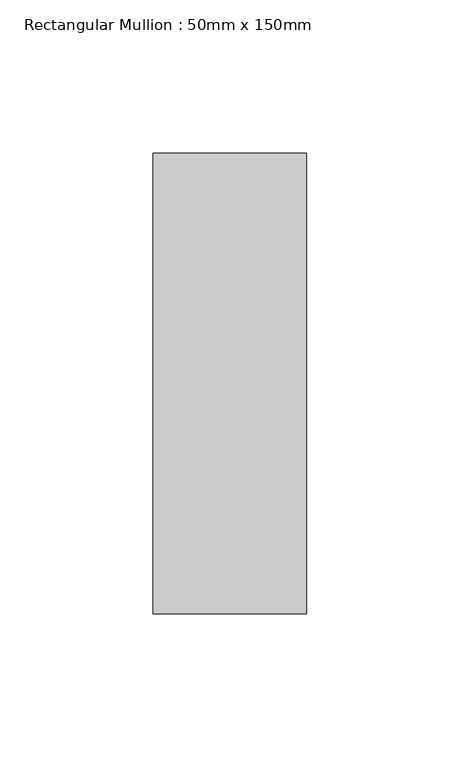
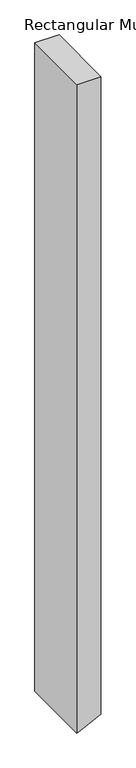
"""IFC4 building model written with IfcOpenShell, lengths in millimetres: member geometry, Rectangular Mullion : 50mm x 150mm."""

from ifc_helpers import new_model, si_unit, frame, origin, place, context, project, spatial, polyline, outline, extrude, source, transform, mapped, element, save


def rectangular_mullion_50mm_x_150mm_d0bc6641(model_context):
    return source(origin(), model_context, "Body", "SweptSolid", [
        extrude(outline(polyline([(0.0, 25.0), (0.0, -25.0), (-1418.0728728, -25.0), (-1416.2363762, -21.0411824), (-1394.8778587, 25.0), (0.0, 25.0)])), frame((0.0, -75.0, 0.0), z_axis=(0.0, 1.0, 0.0), x_axis=(0.0, 0.0, 1.0)), (0.0, 0.0, 1.0), 150.0),
    ])


if __name__ == "__main__":
    model = new_model("IFC4")
    model_context = context("Model", 3, world=origin())
    ifc_project = project(units=[si_unit("LENGTHUNIT", "METRE", prefix="MILLI")], contexts=[model_context])
    site = spatial("IfcSite", under=ifc_project)
    building = spatial("IfcBuilding", under=site)
    placement = place(None, origin())
    rectangular_mullion_50mm_x_150mm_shape = rectangular_mullion_50mm_x_150mm_d0bc6641(model_context)
    element("IfcMember", 1, ObjectType="Rectangular Mullion : 50mm x 150mm", at=placement, inside=building, context=model_context, shape_type="MappedRepresentation", body=[
        mapped(rectangular_mullion_50mm_x_150mm_shape, transform((0.0, 0.0, 0.0), x_axis=(1.0, 0.0, 0.0), y_axis=(0.0, 1.0, 0.0), z_axis=(0.0, 0.0, 1.0))),
    ])
    save(model, "model.ifc")
